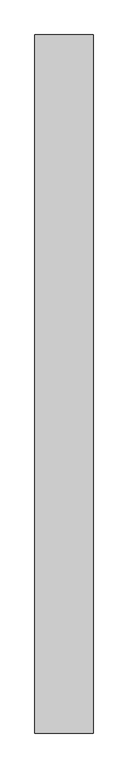
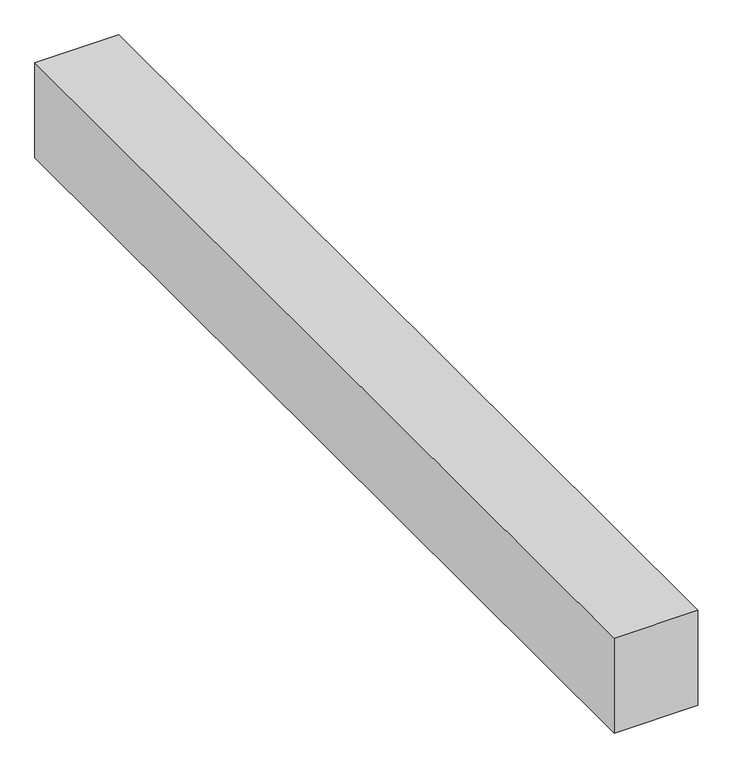
"""IFC4 building model written with IfcOpenShell, lengths in millimetres: proxy geometry."""

from ifc_helpers import new_model, si_unit, frame, origin, place, context, project, spatial, polyline, outline, extrude, source, transform, mapped, element, save


def generic_models_f82dd05b(model_context):
    return source(origin(), model_context, "Body", "SweptSolid", [
        extrude(outline(polyline([(500.0, 6000.0), (500.0, 0.0), (0.0, 0.0), (0.0, 6000.0), (500.0, 6000.0)])), frame((0.0, 0.0, 3000.0), z_axis=(0.0, 0.0, 1.0), x_axis=(1.0, 0.0, 0.0)), (0.0, 0.0, 1.0), 600.0),
    ])


if __name__ == "__main__":
    model = new_model("IFC4")
    model_context = context("Model", 3, world=origin())
    ifc_project = project(units=[si_unit("LENGTHUNIT", "METRE", prefix="MILLI")], contexts=[model_context])
    site = spatial("IfcSite", under=ifc_project)
    building = spatial("IfcBuilding", under=site)
    placement = place(None, origin())
    generic_models_shape = generic_models_f82dd05b(model_context)
    element("IfcBuildingElementProxy", 1, Name="Generic Models", at=placement, inside=building, context=model_context, shape_type="MappedRepresentation", body=[
        mapped(generic_models_shape, transform((0.0, 0.0, 0.0), x_axis=(1.0, 0.0, 0.0), y_axis=(0.0, 1.0, 0.0), z_axis=(0.0, 0.0, 1.0))),
    ])
    save(model, "model.ifc")
